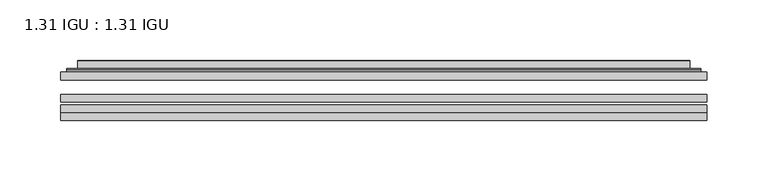
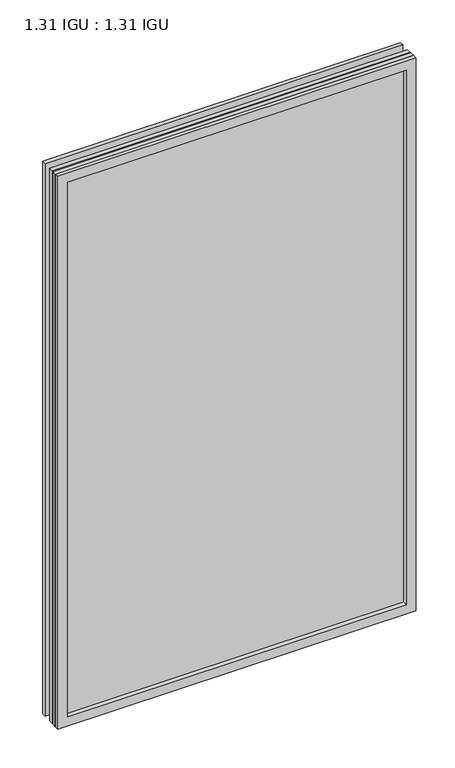
"""IFC4 building model written with IfcOpenShell, lengths in millimetres: plate geometry, 1.31 IGU : 1.31 IGU."""

from ifc_helpers import new_model, si_unit, frame, origin, place, context, project, spatial, polyline, ellipse_curve, outline, extrude, faceted_brep, source, transform, mapped, element, save
from ifc_brep_helpers import plane_surface, cylinder_surface, advanced_brep


def plate_1_31_igu_1_31_igu_5642d996(model_context):
    return source(origin(), model_context, "Body", "SolidModel", [
        extrude(outline(polyline([(266.7140393, -63.2975937), (266.7140393, -69.6475938), (-266.6998644, -69.6475938), (-266.6998644, -63.2975937), (266.7140393, -63.2975937)])), frame((0.0, 0.0, -14.2875), z_axis=(0.0, 0.0, 1.0), x_axis=(1.0, 0.0, 0.0)), (0.0, 0.0, 1.0), 869.9537979),
        extrude(outline(polyline([(-266.6998644, -78.2835938), (-266.6998644, -71.9330887), (266.7140393, -71.9330887), (266.7140393, -78.2835938), (-266.6998644, -78.2835938)])), frame((0.0, 0.0, -14.2875), z_axis=(0.0, 0.0, 1.0), x_axis=(1.0, 0.0, 0.0)), (0.0, 0.0, 1.0), 869.9537979),
        extrude(outline(polyline([(266.7140393, -44.9587937), (266.7140393, -51.3087938), (-266.6998644, -51.3087938), (-266.6998644, -44.9587937), (266.7140393, -44.9587937)])), frame((0.0, 0.0, -14.2875), z_axis=(0.0, 0.0, 1.0), x_axis=(1.0, 0.0, 0.0)), (0.0, 0.0, 1.0), 869.9537979),
        faceted_brep([(-266.7125644, -84.6335937, 855.6752), (-266.7125644, -78.2835937, 855.6752), (-266.7125644, -78.2835937, -14.3002), (-266.7125644, -84.6335937, -14.3002), (266.7125644, -78.2835937, -14.3002), (266.7125644, -84.6335937, -14.3002), (266.7125644, -78.2835937, 855.6752), (266.7125644, -84.6335937, 855.6752), (-251.5146202, -78.2835937, 0.8977441), (251.5146202, -78.2835937, 0.8977441), (251.5146202, -78.2835937, 840.4772559), (-251.5146202, -78.2835937, 840.4772559), (-252.4070545, -84.6335937, 841.3696902), (252.4070545, -84.6335937, 841.3696902), (252.4070545, -84.6335937, 0.0053098), (-252.4070545, -84.6335937, 0.0053098)], [[[0, 1, 2, 3]], [[3, 2, 4, 5]], [[5, 4, 6, 7]], [[1, 6, 4, 2], [8, 9, 10, 11]], [[7, 6, 1, 0]], [[3, 5, 7, 0], [12, 13, 14, 15]], [[11, 12, 15, 8]], [[8, 15, 14, 9]], [[9, 14, 13, 10]], [[10, 13, 12, 11]]]),
        advanced_brep(
        [(-259.4585834, -44.9587937, 848.421219), (-261.8127888, -42.9691271, 850.7754244), (-261.8127888, -42.9691271, -9.4004244), (-259.4585834, -44.9587937, -7.046219), (-250.3842583, -41.1187568, 839.3468939), (-245.4494264, -44.9587937, 834.4120621), (-245.4494264, -44.9587937, 6.9629379), (-250.3842583, -41.1187568, 2.0281061), (-251.416286, -35.7215256, 840.3789217), (-251.416286, -35.7215256, 0.9960783), (-252.4069428, -35.3225507, 841.3695784), (-252.4069428, -35.3225507, 0.0054216), (-252.4069428, -41.7837937, 841.3695784), (-252.4069428, -41.7837937, 0.0054216), (-260.8109992, -41.7837937, 849.7736349), (-260.8109992, -41.7837937, -8.3986349), (261.8127888, -42.9691271, -9.4004244), (259.4585834, -44.9587937, -7.046219), (245.4494264, -44.9587937, 6.9629379), (250.3842583, -41.1187568, 2.0281061), (251.416286, -35.7215256, 0.9960783), (252.4069428, -35.3225507, 0.0054216), (252.4069428, -41.7837937, 0.0054216), (260.8109992, -41.7837937, -8.3986349), (261.8127888, -42.9691271, 850.7754244), (259.4585834, -44.9587937, 848.421219), (245.4494264, -44.9587937, 834.4120621), (250.3842583, -41.1187568, 839.3468939), (251.416286, -35.7215256, 840.3789217), (252.4069428, -35.3225507, 841.3695784), (252.4069428, -41.7837937, 841.3695784), (260.8109992, -41.7837937, 849.7736349)],
        [
            (0, 1, ellipse_curve(frame((-259.4585834, -42.5711937, 848.421219), z_axis=(-0.7071067811865475, 0.0, -0.7071067811865475), x_axis=(-0.7071067811865474, 0.0, 0.7071067811865476)), 3.3765763, 2.3876)),
            (1, 2),
            (2, 3, ellipse_curve(frame((-259.4585834, -42.5711937, -7.046219), z_axis=(-0.7071067811865475, 0.0, 0.7071067811865475), x_axis=(0.7071067811865474, 0.0, 0.7071067811865476)), 3.3765763, 2.3876)),
            (3, 0),
            (4, 5),
            (5, 6),
            (6, 7),
            (7, 4),
            (8, 4),
            (7, 9),
            (9, 8),
            (10, 8, ellipse_curve(frame((-252.0399862, -35.840786, 841.0026219), z_axis=(-0.7071067811865475, 0.0, -0.7071067811865475), x_axis=(-0.7071067811865474, 0.0, 0.7071067811865476)), 0.8980256, 0.635)),
            (9, 11, ellipse_curve(frame((-252.0399862, -35.840786, 0.3723781), z_axis=(-0.7071067811865475, 0.0, 0.7071067811865475), x_axis=(0.7071067811865474, 0.0, 0.7071067811865476)), 0.8980256, 0.635)),
            (11, 10),
            (12, 10),
            (11, 13),
            (13, 12),
            (1, 14, ellipse_curve(frame((-260.8109992, -42.7997937, 849.7736349), z_axis=(-0.7071067811865475, 0.0, -0.7071067811865475), x_axis=(-0.7071067811865474, 0.0, 0.7071067811865476)), 1.436841, 1.016)),
            (14, 15),
            (15, 2, ellipse_curve(frame((-260.8109992, -42.7997937, -8.3986349), z_axis=(-0.7071067811865475, 0.0, 0.7071067811865475), x_axis=(0.7071067811865474, 0.0, 0.7071067811865476)), 1.436841, 1.016)),
            (2, 16),
            (16, 17, ellipse_curve(frame((259.4585834, -42.5711937, -7.046219), z_axis=(-0.7071067811865475, 0.0, -0.7071067811865475), x_axis=(-0.7071067811865476, 0.0, 0.7071067811865474)), 3.3765763, 2.3876)),
            (17, 3),
            (6, 18),
            (18, 19),
            (19, 7),
            (19, 20),
            (20, 9),
            (20, 21, ellipse_curve(frame((252.0399862, -35.840786, 0.3723781), z_axis=(-0.7071067811865475, 0.0, -0.7071067811865475), x_axis=(-0.7071067811865476, 0.0, 0.7071067811865474)), 0.8980256, 0.635)),
            (21, 11),
            (21, 22),
            (22, 13),
            (15, 23),
            (23, 16, ellipse_curve(frame((260.8109992, -42.7997937, -8.3986349), z_axis=(-0.7071067811865475, 0.0, -0.7071067811865475), x_axis=(-0.7071067811865476, 0.0, 0.7071067811865474)), 1.436841, 1.016)),
            (16, 24),
            (24, 25, ellipse_curve(frame((259.4585834, -42.5711937, 848.421219), z_axis=(0.7071067811865475, 0.0, -0.7071067811865475), x_axis=(-0.7071067811865474, 0.0, -0.7071067811865476)), 3.3765763, 2.3876)),
            (25, 17),
            (18, 26),
            (26, 27),
            (27, 19),
            (27, 28),
            (28, 20),
            (28, 29, ellipse_curve(frame((252.0399862, -35.840786, 841.0026219), z_axis=(0.7071067811865475, 0.0, -0.7071067811865475), x_axis=(-0.7071067811865474, 0.0, -0.7071067811865476)), 0.8980256, 0.635)),
            (29, 21),
            (29, 30),
            (30, 22),
            (23, 31),
            (31, 24, ellipse_curve(frame((260.8109992, -42.7997937, 849.7736349), z_axis=(0.7071067811865475, 0.0, -0.7071067811865475), x_axis=(-0.7071067811865474, 0.0, -0.7071067811865476)), 1.436841, 1.016)),
            (24, 1),
            (0, 25),
            (5, 26),
            (4, 27),
            (8, 28),
            (10, 29),
            (12, 30),
            (14, 31),
        ],
        [
            cylinder_surface(frame((-259.4585834, -42.5711937, 873.125), z_axis=(0.0, 0.0, 1.0), x_axis=(-1.0, 0.0, 0.0)), 2.3876),
            plane_surface(frame((-245.4494264, -44.9587937, 834.4120621), z_axis=(0.6141233906514794, 0.7892100234124821, 0.0), x_axis=(0.0, 0.0, -1.0))),
            plane_surface(frame((-250.3842583, -41.1187568, 839.3468939), z_axis=(0.9822050625507729, 0.18781164793386076, 0.0), x_axis=(0.0, 0.0, -1.0))),
            cylinder_surface(frame((-252.0399862, -35.840786, 873.125), z_axis=(0.0, 0.0, 1.0), x_axis=(-1.0, 0.0, 0.0)), 0.635),
            plane_surface(frame((-252.4069428, -35.3225507, 841.3695784), z_axis=(-1.0, 0.0, 0.0), x_axis=(0.0, 0.0, -1.0))),
            cylinder_surface(frame((-260.8109992, -42.7997937, 873.125), z_axis=(0.0, 0.0, 1.0), x_axis=(-1.0, 0.0, 0.0)), 1.016),
            cylinder_surface(frame((-284.1623644, -42.5711937, -7.046219), z_axis=(-1.0, 0.0, 0.0), x_axis=(0.0, 0.0, -1.0)), 2.3876),
            plane_surface(frame((-245.4494264, -44.9587937, 6.9629379), z_axis=(0.0, 0.7892100234124841, 0.6141233906514768), x_axis=(1.0, 0.0, 0.0))),
            plane_surface(frame((-250.3842583, -41.1187568, 2.0281061), z_axis=(0.0, 0.18781164793386393, 0.9822050625507723), x_axis=(1.0, 0.0, 0.0))),
            cylinder_surface(frame((-284.1623644, -35.840786, 0.3723781), z_axis=(-1.0, 0.0, 0.0), x_axis=(0.0, 0.0, -1.0)), 0.635),
            plane_surface(frame((-252.4069428, -35.3225507, 0.0054216), z_axis=(0.0, 0.0, -1.0), x_axis=(1.0, 0.0, 0.0))),
            cylinder_surface(frame((-284.1623644, -42.7997937, -8.3986349), z_axis=(-1.0, 0.0, 0.0), x_axis=(0.0, 0.0, -1.0)), 1.016),
            cylinder_surface(frame((259.4585834, -42.5711937, -31.75), z_axis=(0.0, 0.0, -1.0), x_axis=(1.0, 0.0, 0.0)), 2.3876),
            plane_surface(frame((245.4494264, -44.9587937, 6.9629379), z_axis=(-0.6141233906514743, 0.7892100234124861, 0.0), x_axis=(0.0, 0.0, 1.0))),
            plane_surface(frame((250.3842583, -41.1187568, 2.0281061), z_axis=(-0.9822050625507718, 0.1878116479338671, 0.0), x_axis=(0.0, 0.0, 1.0))),
            cylinder_surface(frame((252.0399862, -35.840786, -31.75), z_axis=(0.0, 0.0, -1.0), x_axis=(1.0, 0.0, 0.0)), 0.635),
            plane_surface(frame((252.4069428, -35.3225507, 0.0054216), z_axis=(1.0, 0.0, 0.0), x_axis=(0.0, 0.0, 1.0))),
            cylinder_surface(frame((260.8109992, -42.7997937, -31.75), z_axis=(0.0, 0.0, -1.0), x_axis=(1.0, 0.0, 0.0)), 1.016),
            cylinder_surface(frame((284.1623644, -42.5711937, 848.421219), z_axis=(1.0, 0.0, 0.0), x_axis=(0.0, 0.0, 1.0)), 2.3876),
            plane_surface(frame((259.4585834, -44.9587937, 848.421219), z_axis=(0.0, -1.0, 0.0), x_axis=(-1.0, 0.0, 0.0))),
            plane_surface(frame((245.4494264, -44.9587937, 834.4120621), z_axis=(0.0, 0.7892100234124841, -0.6141233906514768), x_axis=(-1.0, 0.0, 0.0))),
            plane_surface(frame((250.3842583, -41.1187568, 839.3468939), z_axis=(0.0, 0.18781164793386393, -0.9822050625507723), x_axis=(-1.0, 0.0, 0.0))),
            cylinder_surface(frame((284.1623644, -35.840786, 841.0026219), z_axis=(1.0, 0.0, 0.0), x_axis=(0.0, 0.0, 1.0)), 0.635),
            plane_surface(frame((252.4069428, -35.3225507, 841.3695784), z_axis=(0.0, 0.0, 1.0), x_axis=(-1.0, 0.0, 0.0))),
            plane_surface(frame((252.4069428, -41.7837937, 841.3695784), z_axis=(0.0, 1.0, 0.0), x_axis=(-1.0, 0.0, 0.0))),
            cylinder_surface(frame((284.1623644, -42.7997937, 849.7736349), z_axis=(1.0, 0.0, 0.0), x_axis=(0.0, 0.0, 1.0)), 1.016),
        ],
        [
            (0, [[1, 2, 3, 4]]),
            (1, [[5, 6, 7, 8]]),
            (2, [[9, -8, 10, 11]]),
            (3, [[12, -11, 13, 14]]),
            (4, [[15, -14, 16, 17]]),
            (5, [[18, 19, 20, -2]]),
            (6, [[-3, 21, 22, 23]]),
            (7, [[-7, 24, 25, 26]]),
            (8, [[-10, -26, 27, 28]]),
            (9, [[-13, -28, 29, 30]]),
            (10, [[-16, -30, 31, 32]]),
            (11, [[-20, 33, 34, -21]]),
            (12, [[-22, 35, 36, 37]]),
            (13, [[-25, 38, 39, 40]]),
            (14, [[-27, -40, 41, 42]]),
            (15, [[-29, -42, 43, 44]]),
            (16, [[-31, -44, 45, 46]]),
            (17, [[-34, 47, 48, -35]]),
            (18, [[-36, 49, -1, 50]]),
            (19, [[-23, -37, -50, -4], [51, -38, -24, -6]]),
            (20, [[-39, -51, -5, 52]]),
            (21, [[-41, -52, -9, 53]]),
            (22, [[-43, -53, -12, 54]]),
            (23, [[-45, -54, -15, 55]]),
            (24, [[56, -47, -33, -19], [-32, -46, -55, -17]]),
            (25, [[-48, -56, -18, -49]]),
        ],
    ),
    ])


if __name__ == "__main__":
    model = new_model("IFC4")
    model_context = context("Model", 3, world=origin())
    ifc_project = project(units=[si_unit("LENGTHUNIT", "METRE", prefix="MILLI")], contexts=[model_context])
    site = spatial("IfcSite", under=ifc_project)
    building = spatial("IfcBuilding", under=site)
    placement = place(None, origin())
    plate_1_31_igu_1_31_igu_shape = plate_1_31_igu_1_31_igu_5642d996(model_context)
    element("IfcPlate", 1, ObjectType="1.31 IGU : 1.31 IGU", at=placement, inside=building, context=model_context, shape_type="MappedRepresentation", body=[
        mapped(plate_1_31_igu_1_31_igu_shape, transform((0.0, 0.0, 0.0), x_axis=(1.0, 0.0, 0.0), y_axis=(0.0, 1.0, 0.0), z_axis=(0.0, 0.0, 1.0))),
    ])
    save(model, "model.ifc")
